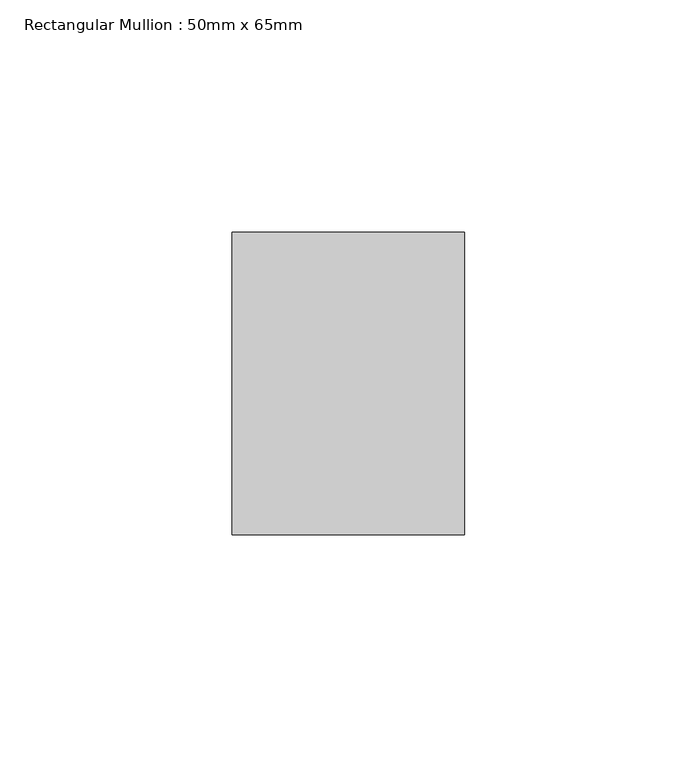
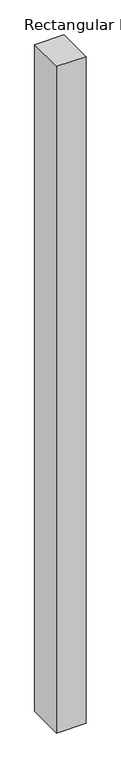
"""IFC4 building model written with IfcOpenShell, lengths in millimetres: member geometry, Rectangular Mullion : 50mm x 65mm."""

from ifc_helpers import new_model, si_unit, frame, origin, place, context, project, spatial, polyline, outline, extrude, source, transform, mapped, element, save


def rectangular_mullion_50mm_x_65mm_c3705f89(model_context):
    return source(origin(), model_context, "Body", "SweptSolid", [
        extrude(outline(polyline([(25.0, 32.5), (25.0, -32.5), (-25.0, -32.5), (-25.0, 32.5), (25.0, 32.5)])), frame((0.0, 0.0, -1205.1794257), z_axis=(0.0, 0.0, 1.0), x_axis=(1.0, 0.0, 0.0)), (0.0, 0.0, 1.0), 1205.1794257),
    ])


if __name__ == "__main__":
    model = new_model("IFC4")
    model_context = context("Model", 3, world=origin())
    ifc_project = project(units=[si_unit("LENGTHUNIT", "METRE", prefix="MILLI")], contexts=[model_context])
    site = spatial("IfcSite", under=ifc_project)
    building = spatial("IfcBuilding", under=site)
    placement = place(None, origin())
    rectangular_mullion_50mm_x_65mm_shape = rectangular_mullion_50mm_x_65mm_c3705f89(model_context)
    element("IfcMember", 1, ObjectType="Rectangular Mullion : 50mm x 65mm", at=placement, inside=building, context=model_context, shape_type="MappedRepresentation", body=[
        mapped(rectangular_mullion_50mm_x_65mm_shape, transform((0.0, 0.0, 0.0), x_axis=(1.0, 0.0, 0.0), y_axis=(0.0, 1.0, 0.0), z_axis=(0.0, 0.0, 1.0))),
    ])
    save(model, "model.ifc")
